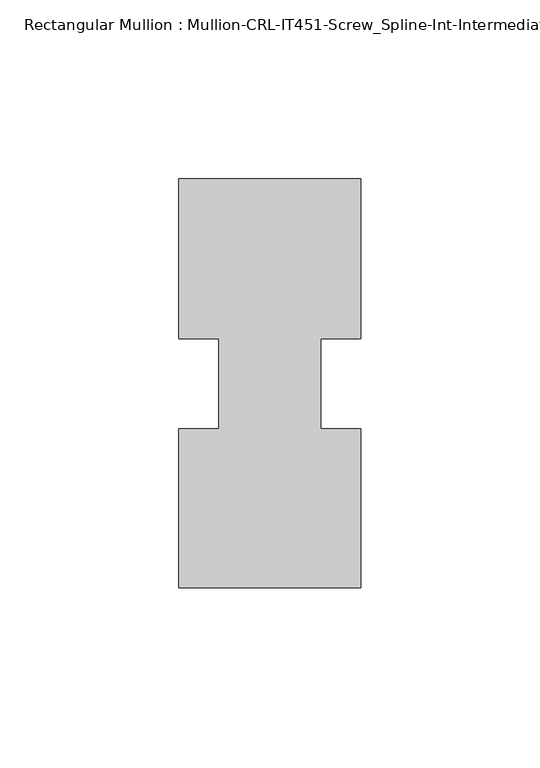
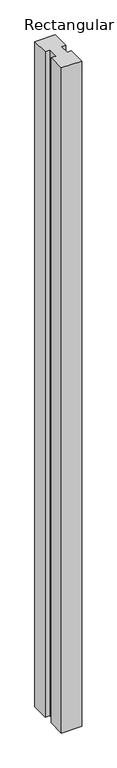
"""IFC4 building model written with IfcOpenShell, lengths in millimetres: member geometry, Rectangular Mullion : Mullion-CRL-IT451-Screw_Spline-Int-Intermediate_Horizontal."""

from ifc_helpers import new_model, si_unit, frame, origin, place, context, project, spatial, polyline, outline, extrude, source, transform, mapped, element, save


def rectangular_mullion_mullion_crl_it451_screw_spline_int_6d639c5a(model_context):
    return source(origin(), model_context, "Body", "SweptSolid", [
        extrude(outline(polyline([(25.4, -57.15), (-25.4, -57.15), (-25.4, -12.7), (-14.2875, -12.7), (-14.2875, 12.5476134), (-25.4, 12.5476134), (-25.4, 57.15), (25.4, 57.15), (25.4, 12.5476134), (14.2875, 12.5476134), (14.2875, -12.7), (25.4, -12.7), (25.4, -57.15)])), frame((0.0, 0.0, -1752.6), z_axis=(0.0, 0.0, 1.0), x_axis=(1.0, 0.0, 0.0)), (0.0, 0.0, 1.0), 1752.6),
    ])


if __name__ == "__main__":
    model = new_model("IFC4")
    model_context = context("Model", 3, world=origin())
    ifc_project = project(units=[si_unit("LENGTHUNIT", "METRE", prefix="MILLI")], contexts=[model_context])
    site = spatial("IfcSite", under=ifc_project)
    building = spatial("IfcBuilding", under=site)
    placement = place(None, origin())
    rectangular_mullion_mullion_crl_it451_screw_spline_int_shape = rectangular_mullion_mullion_crl_it451_screw_spline_int_6d639c5a(model_context)
    element("IfcMember", 1, ObjectType="Rectangular Mullion : Mullion-CRL-IT451-Screw_Spline-Int-Intermediate_Horizontal", at=placement, inside=building, context=model_context, shape_type="MappedRepresentation", body=[
        mapped(rectangular_mullion_mullion_crl_it451_screw_spline_int_shape, transform((0.0, 0.0, 0.0), x_axis=(1.0, 0.0, 0.0), y_axis=(0.0, 1.0, 0.0), z_axis=(0.0, 0.0, 1.0))),
    ])
    save(model, "model.ifc")
